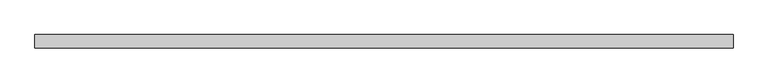
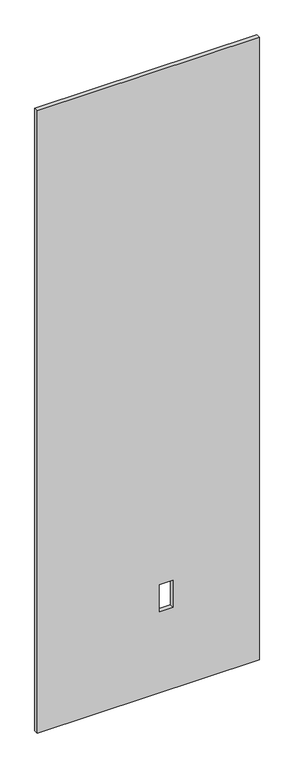
"""IFC4 building model written with IfcOpenShell, lengths in millimetres: proxy geometry."""

from ifc_helpers import new_model, si_unit, frame, origin, place, context, project, spatial, polyline, outline, extrude, source, transform, mapped, element, save


def specialty_equipment_42397a4f(model_context):
    return source(origin(), model_context, "Body", "SweptSolid", [
        extrude(outline(polyline([(2999.5368001, -506.1204), (3.175, -506.1204), (3.175, 506.1204), (2999.5368001, 506.1204), (2999.5368001, -506.1204)]), holes=[polyline([(391.922, 112.8268), (391.922, 51.3588), (522.478, 51.3588), (522.478, 112.8268), (391.922, 112.8268)])]), frame((0.0, -9.525, 0.0), z_axis=(0.0, 1.0, 0.0), x_axis=(0.0, 0.0, 1.0)), (0.0, 0.0, 1.0), 19.05),
    ])


if __name__ == "__main__":
    model = new_model("IFC4")
    model_context = context("Model", 3, world=origin())
    ifc_project = project(units=[si_unit("LENGTHUNIT", "METRE", prefix="MILLI")], contexts=[model_context])
    site = spatial("IfcSite", under=ifc_project)
    building = spatial("IfcBuilding", under=site)
    placement = place(None, origin())
    specialty_equipment_shape = specialty_equipment_42397a4f(model_context)
    element("IfcBuildingElementProxy", 1, Name="Specialty Equipment", at=placement, inside=building, context=model_context, shape_type="MappedRepresentation", body=[
        mapped(specialty_equipment_shape, transform((0.0, 0.0, 0.0), x_axis=(1.0, 0.0, 0.0), y_axis=(0.0, 1.0, 0.0), z_axis=(0.0, 0.0, 1.0))),
    ])
    save(model, "model.ifc")
